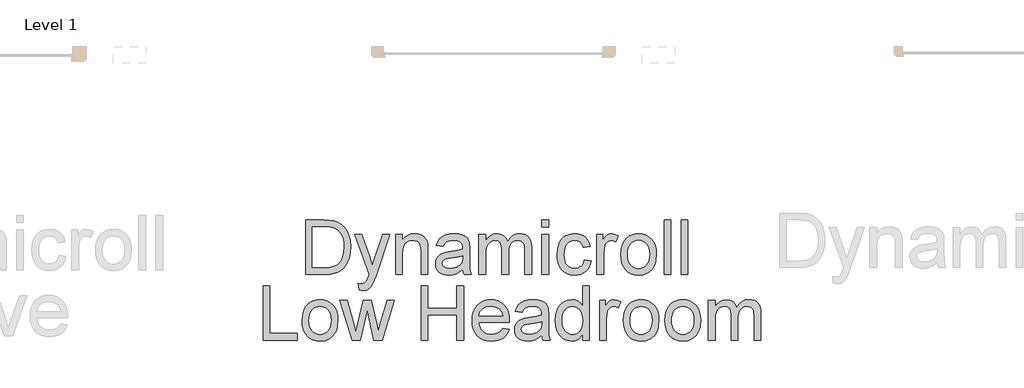
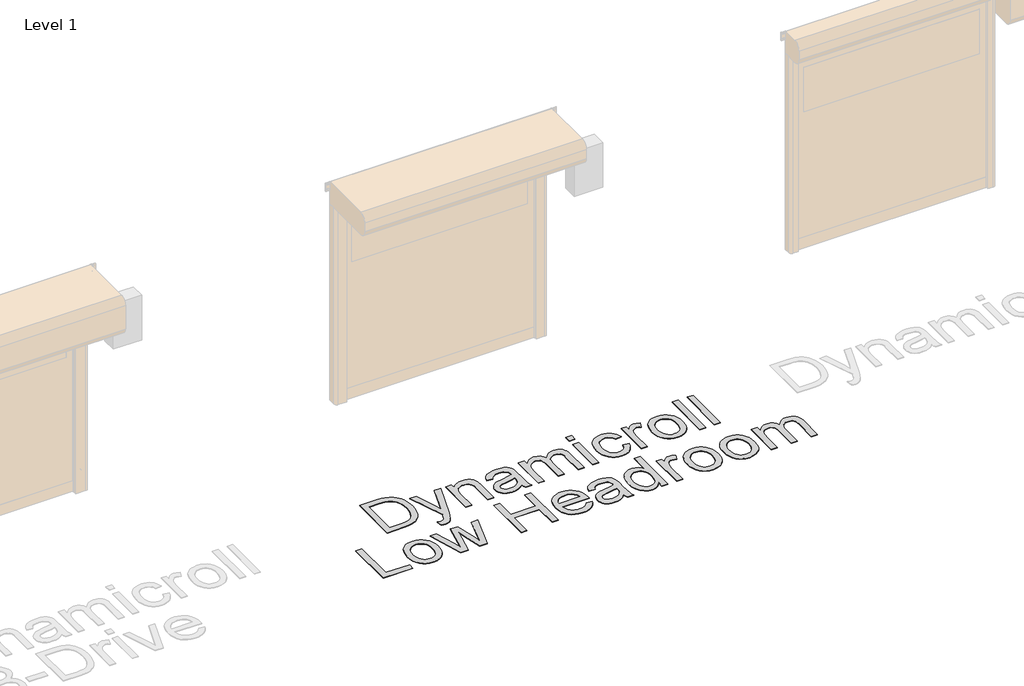
# One storey, part 9 of 18: 1 proxy.
"""IFC4 building model written with IfcOpenShell, lengths in millimetres."""

from ifc_helpers import new_model, si_unit, origin, origin_with_axes, place, context, project, spatial, polyline, outline, extrude, element, save

model = new_model("IFC4")

# Units and contexts
model_context = context("Model", 3, world=origin())
ifc_project = project(units=[si_unit("LENGTHUNIT", "METRE", prefix="MILLI")], contexts=[model_context])

# Site, building, storey
site = spatial("IfcSite", under=ifc_project)
building = spatial("IfcBuilding", under=site)
storey = spatial("IfcBuildingStorey", under=building, Name="Level 1", Elevation=0.0)

# Proxy
placement = place(None, origin())
element("IfcBuildingElementProxy", 1, Name="500mm", ObjectType="500mm", at=placement, inside=storey, context=model_context, shape_type="SweptSolid", body=[
    extrude(outline(polyline([(10253.8603048, 30354.3905971), (10253.8603048, 30856.6721479), (10427.1327245, 30856.6721479), (10478.9121153, 30854.8633947), (10516.773304, 30849.4371353), (10556.8111278, 30835.4882763), (10590.5949577, 30813.5073271), (10609.2113195, 30795.542423), (10625.3291494, 30775.2475996), (10638.9484474, 30752.6228569), (10650.0692136, 30727.6681949), (10664.8764639, 30671.688818), (10669.812214, 30608.2291738), (10666.4706192, 30554.3191331), (10656.4458348, 30506.8776841), (10641.178732, 30466.4873067), (10622.1101819, 30433.7304807), (10600.1598896, 30407.8714422), (10576.2475599, 30388.174427), (10548.794366, 30373.5664461), (10516.221481, 30362.9745103), (10478.4675912, 30356.5365754), (10435.4713831, 30354.3905971), (10253.8603048, 30354.3905971)]), holes=[polyline([(10316.6454986, 30417.175791), (10427.7458612, 30417.175791), (10473.7004537, 30419.4443966), (10508.5572728, 30426.2502135), (10534.8608354, 30437.1947029), (10555.1556588, 30451.8793258), (10576.9679955, 30479.0566082), (10593.3540727, 30514.235324), (10603.6087833, 30557.5687574), (10607.0270201, 30609.2101924), (10605.3523906, 30645.6611668), (10600.3285022, 30677.6362436), (10591.9553547, 30705.1354227), (10580.2329482, 30728.1587042), (10566.1116445, 30747.2272543), (10550.5418055, 30762.8622391), (10533.5234311, 30775.0636586), (10515.0565214, 30783.8315128), (10478.9427722, 30791.3730937), (10426.0290785, 30793.886954), (10316.6454986, 30793.886954), (10316.6454986, 30417.175791)])]), origin_with_axes(), (0.0, 0.0, 1.0), 5.0),
    extrude(outline(polyline([(10748.2937063, 30213.123911), (10740.4455571, 30273.5791855), (10772.3286633, 30268.0609556), (10789.0979509, 30269.7930666), (10802.1271049, 30274.9893998), (10812.2745166, 30283.2820731), (10820.3985773, 30294.3032046), (10837.5664038, 30340.5337086), (10842.4714971, 30355.7394978), (10709.0529601, 30723.253611), (10775.2717193, 30723.253611), (10846.0276897, 30518.465967), (10870.6757834, 30436.5509094), (10895.323877, 30508.9010351), (10968.0418847, 30723.253611), (11033.7701346, 30723.253611), (10905.3793182, 30345.5614292), (10872.024684, 30263.6463716), (10854.9488281, 30237.4960932), (10835.6043665, 30219.3779049), (10813.1329079, 30208.8012975), (10786.6760611, 30205.2757617), (10768.4965592, 30207.2377991), (10748.2937063, 30213.123911)])), origin_with_axes(), (0.0, 0.0, 1.0), 5.0),
    extrude(outline(polyline([(11085.7641232, 30354.3905971), (11085.7641232, 30723.253611), (11148.549317, 30723.253611), (11148.549317, 30671.7501316), (11170.3616537, 30697.7164691), (11196.5579174, 30716.263853), (11227.1381083, 30727.3922834), (11262.1022262, 30731.1017602), (11293.0502991, 30728.112719), (11321.3925411, 30719.1455953), (11345.0289593, 30705.3193637), (11361.8595606, 30687.7529984), (11373.2792309, 30666.4924848), (11380.682856, 30641.583808), (11383.993794, 30580.8832788), (11383.993794, 30354.3905971), (11321.2086001, 30354.3905971), (11321.2086001, 30572.4219929), (11319.399847, 30604.887579), (11313.9735875, 30627.9721742), (11303.9641316, 30644.5115356), (11288.4057889, 30657.3414202), (11268.4635191, 30665.5727798), (11245.3022818, 30668.3165663), (11226.2375638, 30666.7760605), (11208.5294107, 30662.1545429), (11192.1778224, 30654.4520136), (11177.182799, 30643.6684727), (11164.6556506, 30628.5776467), (11155.7076875, 30607.9532623), (11150.3389097, 30581.7953196), (11148.549317, 30550.1038186), (11148.549317, 30354.3905971), (11085.7641232, 30354.3905971)])), origin_with_axes(), (0.0, 0.0, 1.0), 5.0),
    extrude(outline(polyline([(11705.7679124, 30401.4794925), (11675.7702014, 30375.7584097), (11644.8834422, 30358.9278084), (11612.4025277, 30349.638788), (11577.6223508, 30346.5424479), (11549.6671512, 30348.4048505), (11525.1531812, 30353.9920583), (11504.0804407, 30363.3040713), (11486.4489296, 30376.3408895), (11472.5268954, 30392.2747784), (11462.5825852, 30410.2780036), (11456.6159991, 30430.3505649), (11454.627137, 30452.4924625), (11457.6315067, 30478.5201137), (11466.6446155, 30502.1565319), (11480.5474893, 30522.3900416), (11498.2211535, 30538.2089674), (11518.9911578, 30550.1651322), (11542.1830519, 30558.8103591), (11596.5069598, 30568.2526637), (11660.702368, 30578.1854775), (11705.4000304, 30589.835074), (11705.7679124, 30603.8145899), (11701.445299, 30631.8349352), (11688.4774586, 30650.1677212), (11675.4023194, 30658.107841), (11659.4760947, 30663.7793551), (11619.0703889, 30668.3165663), (11581.6690527, 30665.2968683), (11555.549431, 30656.2377742), (11537.7378111, 30639.483815), (11525.2604801, 30613.3795217), (11462.4752863, 30621.227671), (11473.3737904, 30655.5633238), (11489.6372402, 30682.5413368), (11512.7831491, 30703.1733854), (11544.3290302, 30718.471145), (11582.9106544, 30727.9441064), (11627.1637928, 30731.1017602), (11669.608178, 30728.3119884), (11703.2540521, 30719.942673), (11728.6225814, 30707.3580431), (11746.2349319, 30691.9223277), (11757.9151852, 30672.8384492), (11765.487423, 30649.3093299), (11768.5531063, 30594.3722853), (11768.5531063, 30516.258675), (11771.7414169, 30407.1816634), (11776.4625691, 30380.2189789), (11784.2494047, 30354.3905971), (11721.4642109, 30354.3905971), (11711.4087697, 30376.2182622), (11705.7679124, 30401.4794925)]), holes=[polyline([(11705.7679124, 30527.0498802), (11663.5841103, 30516.5959002), (11604.4777364, 30507.7973891), (11550.4603968, 30497.6193206), (11536.4042389, 30490.6602195), (11525.9962441, 30481.0646308), (11519.5583092, 30469.5683184), (11517.4123309, 30456.9070464), (11522.0874979, 30438.2370352), (11536.112999, 30422.9392756), (11559.1822657, 30412.7305502), (11590.9887299, 30409.3276417), (11624.7112461, 30413.0831038), (11654.5096877, 30424.3494899), (11678.6672721, 30440.9501649), (11695.4672165, 30460.7084937), (11702.9168269, 30481.0646308), (11705.4000304, 30509.2689171), (11705.7679124, 30527.0498802)])]), origin_with_axes(), (0.0, 0.0, 1.0), 5.0),
    extrude(outline(polyline([(11854.8827478, 30354.3905971), (11854.8827478, 30723.253611), (11917.6679416, 30723.253611), (11917.6679416, 30662.5530817), (11936.5525507, 30690.4354713), (11960.8327624, 30712.2784648), (11989.6808422, 30726.3959363), (12022.2690556, 30731.1017602), (12057.1871883, 30726.3039658), (12085.1768768, 30711.9105828), (12106.0848368, 30688.8719728), (12119.7577843, 30658.1384978), (12142.6431101, 30690.0599251), (12168.7474033, 30712.8609446), (12198.070664, 30726.5415563), (12230.6128922, 30731.1017602), (12255.7476631, 30729.2048686), (12277.8090865, 30723.514194), (12296.7971624, 30714.0297363), (12312.7118908, 30700.7514956), (12325.2926886, 30683.5261876), (12334.2789728, 30662.2005282), (12339.6707432, 30636.7745174), (12341.4680001, 30607.2481551), (12341.4680001, 30354.3905971), (12278.6828062, 30354.3905971), (12278.6828062, 30580.2701422), (12277.2266067, 30611.586097), (12272.858008, 30632.6933265), (12264.6726336, 30647.1480232), (12251.7661069, 30658.5063798), (12235.1654319, 30665.8640197), (12215.8976124, 30668.3165663), (12198.105153, 30666.7454037), (12181.8838562, 30662.0319156), (12167.2337222, 30654.1761022), (12154.1547509, 30643.1779633), (12143.3980346, 30628.7156024), (12135.7146659, 30610.4671226), (12131.1046446, 30588.4325239), (12129.5679709, 30562.6118064), (12129.5679709, 30354.3905971), (12066.782777, 30354.3905971), (12066.782777, 30587.2599001), (12063.1499423, 30622.7605126), (12052.2514382, 30648.0830566), (12043.8246412, 30656.9352171), (12033.0755892, 30663.2581889), (12004.6107198, 30668.3165663), (11980.4224786, 30664.9443147), (11958.1349611, 30654.8275599), (11939.7408613, 30638.2115564), (11927.2328735, 30615.341559), (11920.0591746, 30583.611737), (11917.6679416, 30540.4162594), (11917.6679416, 30354.3905971), (11854.8827478, 30354.3905971)])), origin_with_axes(), (0.0, 0.0, 1.0), 5.0),
    extrude(outline(polyline([(12435.6457908, 30793.886954), (12435.6457908, 30856.6721479), (12498.4309847, 30856.6721479), (12498.4309847, 30793.886954), (12435.6457908, 30793.886954)])), origin_with_axes(), (0.0, 0.0, 1.0), 5.0),
    extrude(outline(polyline([(12435.6457908, 30354.3905971), (12435.6457908, 30723.253611), (12498.4309847, 30723.253611), (12498.4309847, 30354.3905971), (12435.6457908, 30354.3905971)])), origin_with_axes(), (0.0, 0.0, 1.0), 5.0),
    extrude(outline(polyline([(12828.0532524, 30487.809134), (12890.8384462, 30479.9609848), (12884.0096367, 30450.3349879), (12873.3333946, 30424.1195636), (12858.80972, 30401.314712), (12840.4386129, 30381.9204331), (12818.9941582, 30366.4425646), (12795.2504411, 30355.3869442), (12769.2074615, 30348.753572), (12740.8652195, 30346.5424479), (12705.6520148, 30349.6272917), (12674.079309, 30358.8818231), (12646.1471021, 30374.3060422), (12621.8553941, 30395.8999489), (12602.1928678, 30423.2573402), (12588.1482063, 30455.972013), (12579.7214093, 30494.0439674), (12576.912477, 30537.4732034), (12581.7102713, 30593.3452814), (12596.1036544, 30641.767749), (12606.9561733, 30662.7178622), (12620.3225524, 30680.8705394), (12636.2027919, 30696.2257806), (12654.5968916, 30708.7835858), (12695.6004057, 30725.5222166), (12740.0068282, 30731.1017602), (12767.862393, 30729.1857081), (12793.0584776, 30723.437552), (12815.5950819, 30713.8572917), (12835.4722059, 30700.4449273), (12852.3526246, 30683.5070271), (12865.8991126, 30663.3501594), (12876.1116701, 30639.9743243), (12882.990297, 30613.3795217), (12820.2051031, 30605.5313725), (12808.8160897, 30632.9232527), (12791.0811118, 30652.5589542), (12767.9811882, 30664.3771633), (12740.4973375, 30668.3165663), (12719.1640139, 30666.3775217), (12699.9230191, 30660.5603876), (12682.7743532, 30650.8651642), (12667.7180161, 30637.2918514), (12655.4591151, 30619.5262167), (12646.7027572, 30597.2540276), (12641.4489424, 30570.475284), (12639.6976708, 30539.189986), (12641.4106214, 30507.4333392), (12646.549473, 30480.3441952), (12655.1142257, 30457.922554), (12667.1048795, 30440.1684157), (12681.8623124, 30426.6755771), (12698.7274026, 30417.0378352), (12717.7001501, 30411.2551901), (12738.7805549, 30409.3276417), (12771.2921262, 30414.1407645), (12797.9482424, 30428.5801328), (12808.7279513, 30439.5016295), (12817.3386893, 30453.0136287), (12828.0532524, 30487.809134)])), origin_with_axes(), (0.0, 0.0, 1.0), 5.0),
    extrude(outline(polyline([(12945.7754908, 30354.3905971), (12945.7754908, 30723.253611), (13000.7125354, 30723.253611), (13000.7125354, 30668.6844483), (13021.0073588, 30700.3222999), (13039.7080269, 30718.9616543), (13058.4700087, 30728.0667337), (13078.9487731, 30731.1017602), (13110.2187427, 30726.2579806), (13141.9792216, 30711.7266418), (13121.0099479, 30655.4406965), (13098.9370281, 30665.0975989), (13076.8641084, 30668.3165663), (13058.1174551, 30665.2202262), (13041.3634959, 30655.9312058), (13027.8285042, 30641.1546124), (13018.7387532, 30621.595553), (13011.1052018, 30586.5241361), (13008.5606847, 30548.2644086), (13008.5606847, 30354.3905971), (12945.7754908, 30354.3905971)])), origin_with_axes(), (0.0, 0.0, 1.0), 5.0),
    extrude(outline(polyline([(13165.5236693, 30538.822104), (13168.9189135, 30586.593114), (13179.1046463, 30627.7575764), (13196.0808675, 30662.3154913), (13219.8475772, 30690.2668587), (13243.7752353, 30708.1321281), (13270.1860969, 30720.8930348), (13299.0801619, 30728.5495788), (13330.4574304, 30731.1017602), (13365.0958195, 30727.9939237), (13396.4156065, 30718.6704144), (13424.4167913, 30703.1312322), (13449.0993739, 30681.3763772), (13469.2447452, 30654.1416132), (13483.6342962, 30622.1627044), (13492.2680268, 30585.4396506), (13495.1459369, 30543.972452), (13490.0569027, 30480.5434646), (13483.6956098, 30454.5081493), (13474.7897999, 30432.2589528), (13463.4506038, 30413.0409506), (13449.7891526, 30396.0992183), (13433.8054464, 30381.4337559), (13415.499485, 30369.0445633), (13374.7718824, 30352.1679767), (13330.4574304, 30346.5424479), (13295.3132036, 30349.638788), (13263.7021767, 30358.9278084), (13235.6243499, 30374.409509), (13211.079723, 30396.0838899), (13191.1489495, 30423.583069), (13176.9126827, 30456.5391644), (13168.3709226, 30494.9521761), (13165.5236693, 30538.822104)]), holes=[polyline([(13228.3088631, 30538.9447314), (13230.1252805, 30508.491), (13235.5745325, 30482.1222915), (13244.6566193, 30459.8386061), (13257.3715407, 30441.6399436), (13272.8379129, 30427.5033116), (13290.174352, 30417.4057172), (13309.3808578, 30411.3471606), (13330.4574304, 30409.3276417), (13351.4267042, 30411.3586569), (13370.5565679, 30417.4517025), (13387.8470217, 30427.6067784), (13403.2980655, 30441.8238846), (13416.0129869, 30460.202656), (13425.0950737, 30482.8427271), (13430.5443258, 30509.744098), (13432.3607431, 30540.9067687), (13430.5328294, 30570.3948099), (13425.0490885, 30596.0737395), (13415.9095201, 30617.9435577), (13403.1141245, 30636.0042644), (13387.6055991, 30650.1408965), (13370.3266417, 30660.2384909), (13351.2772521, 30666.2970475), (13330.4574304, 30668.3165663), (13309.3808578, 30666.3047117), (13290.174352, 30660.2691477), (13272.8379129, 30650.2098744), (13257.3715407, 30636.1268918), (13244.6566193, 30617.9818788), (13235.5745325, 30595.7365144), (13230.1252805, 30569.3907986), (13228.3088631, 30538.9447314)])]), origin_with_axes(), (0.0, 0.0, 1.0), 5.0),
    extrude(outline(polyline([(13565.77928, 30354.3905971), (13565.77928, 30856.6721479), (13628.5644739, 30856.6721479), (13628.5644739, 30354.3905971), (13565.77928, 30354.3905971)])), origin_with_axes(), (0.0, 0.0, 1.0), 5.0),
    extrude(outline(polyline([(13722.7422646, 30354.3905971), (13722.7422646, 30856.6721479), (13785.5274585, 30856.6721479), (13785.5274585, 30354.3905971), (13722.7422646, 30354.3905971)])), origin_with_axes(), (0.0, 0.0, 1.0), 5.0),
    extrude(outline(polyline([(9861.4528433, 29744.5165079), (9861.4528433, 30246.7980586), (9924.2380371, 30246.7980586), (9924.2380371, 29807.3017017), (10175.3788125, 29807.3017017), (10175.3788125, 29744.5165079), (9861.4528433, 29744.5165079)])), origin_with_axes(), (0.0, 0.0, 1.0), 5.0),
    extrude(outline(polyline([(10222.4677079, 29928.9480148), (10225.8629521, 29976.7190247), (10236.0486848, 30017.8834871), (10253.0249061, 30052.4414021), (10276.7916158, 30080.3927695), (10300.7192739, 30098.2580389), (10327.1301355, 30111.0189456), (10356.0242005, 30118.6754896), (10387.401469, 30121.227671), (10422.0398581, 30118.1198345), (10453.3596451, 30108.7963252), (10481.3608299, 30093.257143), (10506.0434125, 30071.5022879), (10526.1887838, 30044.267524), (10540.5783348, 30012.2886151), (10549.2120653, 29975.5655614), (10552.0899755, 29934.0983627), (10547.0009413, 29870.6693754), (10540.6396484, 29844.63406), (10531.7338385, 29822.3848635), (10520.3946424, 29803.1668614), (10506.7331912, 29786.2251291), (10490.7494849, 29771.5596666), (10472.4435236, 29759.170474), (10431.715921, 29742.2938875), (10387.401469, 29736.6683587), (10352.2572422, 29739.7646988), (10320.6462153, 29749.0537192), (10292.5683885, 29764.5354198), (10268.0237616, 29786.2098007), (10248.0929881, 29813.7089798), (10233.8567213, 29846.6650752), (10225.3149612, 29885.0780869), (10222.4677079, 29928.9480148)]), holes=[polyline([(10285.2529017, 29929.0706421), (10287.0693191, 29898.6169107), (10292.5185711, 29872.2482023), (10301.6006579, 29849.9645169), (10314.3155793, 29831.7658544), (10329.7819515, 29817.6292223), (10347.1183906, 29807.531628), (10366.3248964, 29801.4730714), (10387.401469, 29799.4535525), (10408.3707428, 29801.4845677), (10427.5006065, 29807.5776132), (10444.7910603, 29817.7326891), (10460.2421041, 29831.9497954), (10472.9570255, 29850.3285668), (10482.0391123, 29872.9686379), (10487.4883643, 29899.8700088), (10489.3047817, 29931.0326795), (10487.476868, 29960.5207206), (10481.993127, 29986.1996503), (10472.8535587, 30008.0694685), (10460.0581631, 30026.1301752), (10444.5496377, 30040.2668073), (10427.2706803, 30050.3644016), (10408.2212907, 30056.4229582), (10387.401469, 30058.4424771), (10366.3248964, 30056.4306225), (10347.1183906, 30050.3950585), (10329.7819515, 30040.3357852), (10314.3155793, 30026.2528025), (10301.6006579, 30008.1077895), (10292.5185711, 29985.8624251), (10287.0693191, 29959.5167093), (10285.2529017, 29929.0706421)])]), origin_with_axes(), (0.0, 0.0, 1.0), 5.0),
    extrude(outline(polyline([(10683.9143571, 29744.5165079), (10571.7103486, 30113.3795217), (10636.9480891, 30113.3795217), (10700.5916743, 29898.1685545), (10719.5989107, 29821.2812176), (10735.1725818, 29895.3481259), (10785.8176698, 30113.3795217), (10860.6203422, 30113.3795217), (10911.0201755, 29895.9612626), (10924.877064, 29828.8841121), (10944.7426917, 29899.6400825), (11008.5089042, 30113.3795217), (11073.9918994, 30113.3795217), (10960.9294995, 29744.5165079), (10885.0231812, 29744.5165079), (10836.8306398, 29960.8311211), (10822.851124, 30028.2761535), (10760.6790668, 29744.5165079), (10683.9143571, 29744.5165079)])), origin_with_axes(), (0.0, 0.0, 1.0), 5.0),
    extrude(outline(polyline([(11321.2086001, 29744.5165079), (11321.2086001, 30246.7980586), (11383.993794, 30246.7980586), (11383.993794, 30042.7461787), (11650.8308678, 30042.7461787), (11650.8308678, 30246.7980586), (11713.6160616, 30246.7980586), (11713.6160616, 29744.5165079), (11650.8308678, 29744.5165079), (11650.8308678, 29979.9609848), (11383.993794, 29979.9609848), (11383.993794, 29744.5165079), (11321.2086001, 29744.5165079)])), origin_with_axes(), (0.0, 0.0, 1.0), 5.0),
    extrude(outline(polyline([(12073.8951622, 29854.3905971), (12135.4540828, 29846.5424479), (12126.0156103, 29821.88669), (12113.2738641, 29800.1586597), (12097.2288442, 29781.3583569), (12077.8805505, 29765.4857816), (12055.4282525, 29752.8781591), (12030.0712196, 29743.8727144), (12001.8094517, 29738.4694476), (11970.6429489, 29736.6683587), (11931.6857785, 29739.7761951), (11896.9745794, 29749.0997044), (11866.5093517, 29764.6388866), (11840.2900953, 29786.3937417), (11819.2058585, 29813.7587972), (11804.1456893, 29846.1285806), (11795.1095878, 29883.5030921), (11792.0975539, 29925.8823315), (11795.1402446, 29969.69861), (11804.2683166, 30008.3185553), (11819.48177, 30041.7421674), (11840.7806046, 30069.9694463), (11866.9308831, 30092.3949196), (11896.6986679, 30108.4131148), (11930.083959, 30118.0240319), (11967.0867563, 30121.227671), (12002.8977693, 30118.0316961), (12035.2828812, 30108.4437716), (12064.242092, 30092.4638975), (12089.7754017, 30070.0920736), (12110.618216, 30041.9261084), (12125.5059405, 30008.5638099), (12134.4385752, 29970.0051783), (12137.4161201, 29926.2502135), (12137.0482381, 29909.3276417), (11854.8827478, 29909.3276417), (11858.5194146, 29884.273345), (11865.7505951, 29862.3307169), (11876.5762892, 29843.4997572), (11890.996497, 29827.7804661), (11908.2141408, 29815.3874414), (11927.4321429, 29806.5352809), (11948.6505034, 29801.2239846), (11971.8692223, 29799.4535525), (12005.2851701, 29802.7338336), (12033.4281428, 29812.574677), (12056.2981401, 29829.5892193), (12073.8951622, 29854.3905971)]), holes=[polyline([(11854.8827478, 29972.1128356), (12074.6309262, 29972.1128356), (12066.1389835, 30005.2835288), (12049.4923232, 30029.0119175), (12032.370482, 30041.8877873), (12012.8880647, 30051.0848372), (11991.0450713, 30056.6030671), (11966.8415017, 30058.4424771), (11924.5197438, 30052.5716936), (11906.1064835, 30045.2332142), (11889.524969, 30034.9593431), (11875.610599, 30022.2252611), (11865.1987721, 30007.5061492), (11858.2894883, 29990.8020074), (11854.8827478, 29972.1128356)])]), origin_with_axes(), (0.0, 0.0, 1.0), 5.0),
    extrude(outline(polyline([(12435.6457908, 29791.6054033), (12405.6480798, 29765.8843204), (12374.7613206, 29749.0537192), (12342.2804061, 29739.7646988), (12307.5002292, 29736.6683587), (12279.5450297, 29738.5307613), (12255.0310596, 29744.1179691), (12233.9583191, 29753.4299821), (12216.326808, 29766.4668003), (12202.4047738, 29782.4006892), (12192.4604636, 29800.4039143), (12186.4938775, 29820.4764757), (12184.5050155, 29842.6183733), (12187.5093851, 29868.6460244), (12196.522494, 29892.2824426), (12210.4253677, 29912.5159524), (12228.0990319, 29928.3348782), (12248.8690362, 29940.291043), (12272.0609303, 29948.9362699), (12326.3848383, 29958.3785744), (12390.5802464, 29968.3113883), (12435.2779088, 29979.9609848), (12435.6457908, 29993.9405006), (12431.3231774, 30021.9608459), (12418.3553371, 30040.293632), (12405.2801978, 30048.2337517), (12389.3539731, 30053.9052658), (12348.9482673, 30058.4424771), (12311.5469311, 30055.4227791), (12285.4273095, 30046.3636849), (12267.6156895, 30029.6097257), (12255.1383585, 30003.5054325), (12192.3531647, 30011.3535817), (12203.2516688, 30045.6892346), (12219.5151187, 30072.6672476), (12242.6610275, 30093.2992962), (12274.2069086, 30108.5970558), (12312.7885329, 30118.0700172), (12357.0416712, 30121.227671), (12399.4860564, 30118.4378992), (12433.1319305, 30110.0685838), (12458.5004598, 30097.4839539), (12476.1128103, 30082.0482385), (12487.7930637, 30062.96436), (12495.3653014, 30039.4352407), (12498.4309847, 29984.4981961), (12498.4309847, 29906.3845858), (12501.6192953, 29797.3075742), (12506.3404476, 29770.3448896), (12514.1272831, 29744.5165079), (12451.3420893, 29744.5165079), (12441.2866481, 29766.3441729), (12435.6457908, 29791.6054033)]), holes=[polyline([(12435.6457908, 29917.175791), (12393.4619887, 29906.7218109), (12334.3556148, 29897.9232999), (12280.3382752, 29887.7452314), (12266.2821173, 29880.7861303), (12255.8741225, 29871.1905416), (12249.4361876, 29859.6942292), (12247.2902093, 29847.0329572), (12251.9653763, 29828.362946), (12265.9908774, 29813.0651863), (12289.0601442, 29802.856461), (12320.8666083, 29799.4535525), (12354.5891246, 29803.2090145), (12384.3875662, 29814.4754006), (12408.5451505, 29831.0760757), (12425.345095, 29850.8344045), (12432.7947054, 29871.1905416), (12435.2779088, 29899.3948279), (12435.6457908, 29917.175791)])]), origin_with_axes(), (0.0, 0.0, 1.0), 5.0),
    extrude(outline(polyline([(12812.3569539, 29744.5165079), (12812.3569539, 29803.7455091), (12793.5719795, 29774.3992558), (12770.8169453, 29753.4376463), (12744.0918512, 29740.8606806), (12713.3966972, 29736.6683587), (12672.8070504, 29742.7384116), (12635.6509689, 29760.9485703), (12604.1970583, 29790.0265764), (12580.7139243, 29828.7001711), (12566.090615, 29875.4058561), (12561.2161785, 29928.5801328), (12565.7074046, 29981.0952876), (12579.1810826, 30028.5214082), (12589.2825091, 30049.6516303), (12601.6218843, 30068.1606932), (12616.1992084, 30084.0485968), (12633.0144813, 30097.3153413), (12670.9829688, 30115.2495885), (12713.1514425, 30121.227671), (12743.8695891, 30116.9510428), (12771.0315431, 30104.1211582), (12794.0548246, 30084.4547999), (12812.3569539, 30059.6687504), (12812.3569539, 30246.7980586), (12875.1421477, 30246.7980586), (12875.1421477, 29744.5165079), (12812.3569539, 29744.5165079)]), holes=[polyline([(12624.0013724, 29928.8253875), (12625.7718045, 29898.3793203), (12631.0831008, 29872.0336045), (12639.9352613, 29849.7882401), (12652.328286, 29831.6432271), (12667.1278721, 29817.5602445), (12683.1997168, 29807.5009712), (12700.54382, 29801.4654072), (12719.1601818, 29799.4535525), (12737.864682, 29801.3734367), (12755.1053184, 29807.1330892), (12770.882091, 29816.73251), (12785.1949999, 29830.1716991), (12797.0783548, 29847.5579555), (12805.5664654, 29868.998578), (12810.6593318, 29894.4935667), (12812.3569539, 29924.0429215), (12810.6286749, 29956.4395297), (12805.4438381, 29984.2222846), (12796.8024433, 30007.3911861), (12784.7044906, 30025.9462342), (12770.0773492, 30040.1633405), (12753.8483883, 30050.3184164), (12736.0176078, 30056.4114619), (12716.5850078, 30058.4424771), (12697.600764, 30056.4919361), (12680.2566608, 30050.6403131), (12664.5526981, 30040.8876082), (12650.488876, 30027.2338212), (12638.9005932, 30009.3800481), (12630.6232483, 29987.0273848), (12625.6568413, 29960.1758313), (12624.0013724, 29928.8253875)])]), origin_with_axes(), (0.0, 0.0, 1.0), 5.0),
    extrude(outline(polyline([(12969.3199385, 29744.5165079), (12969.3199385, 30113.3795217), (13024.2569831, 30113.3795217), (13024.2569831, 30058.8103591), (13044.5518065, 30090.4482107), (13063.2524746, 30109.0875651), (13082.0144564, 30118.1926445), (13102.4932208, 30121.227671), (13133.7631904, 30116.3838914), (13165.5236693, 30101.8525525), (13144.5543955, 30045.5666073), (13122.4814758, 30055.2235097), (13100.4085561, 30058.4424771), (13081.6619028, 30055.346137), (13064.9079436, 30046.0571166), (13051.3729519, 30031.2805231), (13042.2832009, 30011.7214637), (13034.6496495, 29976.6500469), (13032.1051324, 29938.3903194), (13032.1051324, 29744.5165079), (12969.3199385, 29744.5165079)])), origin_with_axes(), (0.0, 0.0, 1.0), 5.0),
    extrude(outline(polyline([(13189.068117, 29928.9480148), (13192.4633612, 29976.7190247), (13202.649094, 30017.8834871), (13219.6253152, 30052.4414021), (13243.3920249, 30080.3927695), (13267.319683, 30098.2580389), (13293.7305446, 30111.0189456), (13322.6246096, 30118.6754896), (13354.0018781, 30121.227671), (13388.6402672, 30118.1198345), (13419.9600542, 30108.7963252), (13447.961239, 30093.257143), (13472.6438216, 30071.5022879), (13492.7891929, 30044.267524), (13507.1787439, 30012.2886151), (13515.8124744, 29975.5655614), (13518.6903846, 29934.0983627), (13513.6013504, 29870.6693754), (13507.2400575, 29844.63406), (13498.3342476, 29822.3848635), (13486.9950515, 29803.1668614), (13473.3336003, 29786.2251291), (13457.349894, 29771.5596666), (13439.0439327, 29759.170474), (13398.3163301, 29742.2938875), (13354.0018781, 29736.6683587), (13318.8576513, 29739.7646988), (13287.2466244, 29749.0537192), (13259.1687976, 29764.5354198), (13234.6241707, 29786.2098007), (13214.6933972, 29813.7089798), (13200.4571304, 29846.6650752), (13191.9153703, 29885.0780869), (13189.068117, 29928.9480148)]), holes=[polyline([(13251.8533108, 29929.0706421), (13253.6697282, 29898.6169107), (13259.1189802, 29872.2482023), (13268.201067, 29849.9645169), (13280.9159884, 29831.7658544), (13296.3823606, 29817.6292223), (13313.7187997, 29807.531628), (13332.9253055, 29801.4730714), (13354.0018781, 29799.4535525), (13374.9711519, 29801.4845677), (13394.1010156, 29807.5776132), (13411.3914694, 29817.7326891), (13426.8425132, 29831.9497954), (13439.5574346, 29850.3285668), (13448.6395214, 29872.9686379), (13454.0887734, 29899.8700088), (13455.9051908, 29931.0326795), (13454.0772771, 29960.5207206), (13448.5935361, 29986.1996503), (13439.4539678, 30008.0694685), (13426.6585722, 30026.1301752), (13411.1500468, 30040.2668073), (13393.8710894, 30050.3644016), (13374.8216998, 30056.4229582), (13354.0018781, 30058.4424771), (13332.9253055, 30056.4306225), (13313.7187997, 30050.3950585), (13296.3823606, 30040.3357852), (13280.9159884, 30026.2528025), (13268.201067, 30008.1077895), (13259.1189802, 29985.8624251), (13253.6697282, 29959.5167093), (13251.8533108, 29929.0706421)])]), origin_with_axes(), (0.0, 0.0, 1.0), 5.0),
    extrude(outline(polyline([(13573.6274293, 29928.9480148), (13577.0226735, 29976.7190247), (13587.2084062, 30017.8834871), (13604.1846275, 30052.4414021), (13627.9513372, 30080.3927695), (13651.8789953, 30098.2580389), (13678.2898569, 30111.0189456), (13707.1839219, 30118.6754896), (13738.5611904, 30121.227671), (13773.1995795, 30118.1198345), (13804.5193665, 30108.7963252), (13832.5205513, 30093.257143), (13857.2031339, 30071.5022879), (13877.3485052, 30044.267524), (13891.7380562, 30012.2886151), (13900.3717867, 29975.5655614), (13903.2496969, 29934.0983627), (13898.1606627, 29870.6693754), (13891.7993698, 29844.63406), (13882.8935599, 29822.3848635), (13871.5543638, 29803.1668614), (13857.8929126, 29786.2251291), (13841.9092063, 29771.5596666), (13823.603245, 29759.170474), (13782.8756424, 29742.2938875), (13738.5611904, 29736.6683587), (13703.4169636, 29739.7646988), (13671.8059367, 29749.0537192), (13643.7281099, 29764.5354198), (13619.183483, 29786.2098007), (13599.2527095, 29813.7089798), (13585.0164427, 29846.6650752), (13576.4746826, 29885.0780869), (13573.6274293, 29928.9480148)]), holes=[polyline([(13636.4126231, 29929.0706421), (13638.2290404, 29898.6169107), (13643.6782925, 29872.2482023), (13652.7603793, 29849.9645169), (13665.4753007, 29831.7658544), (13680.9416729, 29817.6292223), (13698.278112, 29807.531628), (13717.4846178, 29801.4730714), (13738.5611904, 29799.4535525), (13759.5304641, 29801.4845677), (13778.6603279, 29807.5776132), (13795.9507817, 29817.7326891), (13811.4018255, 29831.9497954), (13824.1167469, 29850.3285668), (13833.1988337, 29872.9686379), (13838.6480857, 29899.8700088), (13840.4645031, 29931.0326795), (13838.6365894, 29960.5207206), (13833.1528484, 29986.1996503), (13824.0132801, 30008.0694685), (13811.2178845, 30026.1301752), (13795.7093591, 30040.2668073), (13778.4304017, 30050.3644016), (13759.3810121, 30056.4229582), (13738.5611904, 30058.4424771), (13717.4846178, 30056.4306225), (13698.278112, 30050.3950585), (13680.9416729, 30040.3357852), (13665.4753007, 30026.2528025), (13652.7603793, 30008.1077895), (13643.6782925, 29985.8624251), (13638.2290404, 29959.5167093), (13636.4126231, 29929.0706421)])]), origin_with_axes(), (0.0, 0.0, 1.0), 5.0),
    extrude(outline(polyline([(13973.88304, 29744.5165079), (13973.88304, 30113.3795217), (14036.6682338, 30113.3795217), (14036.6682338, 30052.6789925), (14055.5528429, 30080.5613821), (14079.8330546, 30102.4043755), (14108.6811344, 30116.5218471), (14141.2693478, 30121.227671), (14176.1874805, 30116.4298766), (14204.177169, 30102.0364935), (14225.085129, 30078.9978836), (14238.7580765, 30048.2644086), (14261.6434023, 30080.1858359), (14287.7476956, 30102.9868554), (14317.0709563, 30116.6674671), (14349.6131844, 30121.227671), (14374.7479553, 30119.3307794), (14396.8093787, 30113.6401048), (14415.7974546, 30104.1556471), (14431.712183, 30090.8774064), (14444.2929808, 30073.6520984), (14453.279265, 30052.3264389), (14458.6710355, 30026.9004281), (14460.4682923, 29997.3740659), (14460.4682923, 29744.5165079), (14397.6830984, 29744.5165079), (14397.6830984, 29970.3960529), (14396.2268989, 30001.7120078), (14391.8583002, 30022.8192372), (14383.6729258, 30037.273934), (14370.7663991, 30048.6322906), (14354.1657241, 30055.9899305), (14334.8979046, 30058.4424771), (14317.1054452, 30056.8713144), (14300.8841485, 30052.1578264), (14286.2340144, 30044.3020129), (14273.1550431, 30033.3038741), (14262.3983268, 30018.8415132), (14254.7149581, 30000.5930334), (14250.1049368, 29978.5584347), (14248.5682631, 29952.7377172), (14248.5682631, 29744.5165079), (14185.7830692, 29744.5165079), (14185.7830692, 29977.3858108), (14182.1502345, 30012.8864234), (14171.2517304, 30038.2089674), (14162.8249335, 30047.0611279), (14152.0758814, 30053.3840997), (14123.611012, 30058.4424771), (14099.4227709, 30055.0702255), (14077.1352533, 30044.9534706), (14058.7411536, 30028.3374672), (14046.2331657, 30005.4674698), (14039.0594668, 29973.7376477), (14036.6682338, 29930.5421701), (14036.6682338, 29744.5165079), (13973.88304, 29744.5165079)])), origin_with_axes(), (0.0, 0.0, 1.0), 5.0),
])

save(model, "model.ifc")
